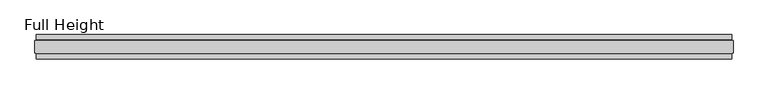
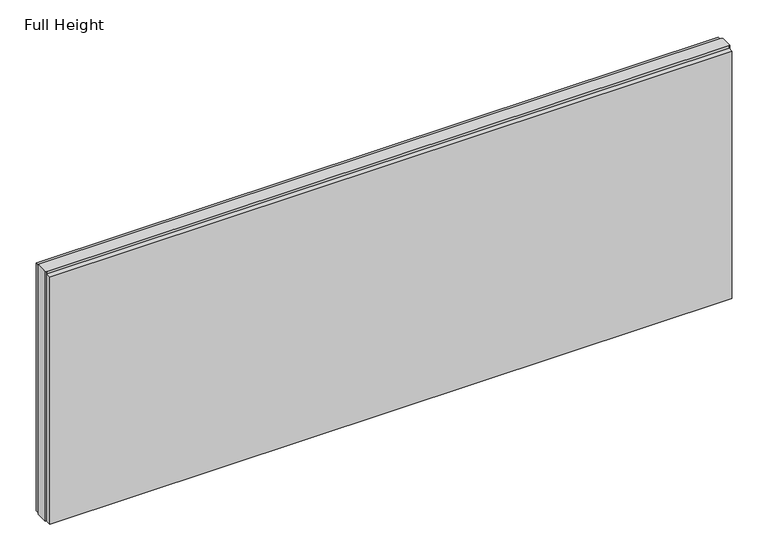
"""IFC4 building model written with IfcOpenShell, lengths in millimetres: plate geometry, Full Height."""

from ifc_helpers import new_model, si_unit, origin, origin_with_axes, place, context, project, spatial, polyline, outline, extrude, source, transform, mapped, element, save


def full_height_f6e70728(model_context):
    return source(origin(), model_context, "Body", "SweptSolid", [
        extrude(outline(polyline([(1409.8875405, 28.956), (-1409.8875405, 28.956), (-1409.8875405, 49.53), (1409.8875405, 49.53), (1409.8875405, 28.956)])), origin_with_axes(), (0.0, 0.0, 1.0), 1083.056),
        extrude(outline(polyline([(1409.8875405, -28.956), (1409.8875405, -49.53), (-1409.8875405, -49.53), (-1409.8875405, -28.956), (1409.8875405, -28.956)])), origin_with_axes(), (0.0, 0.0, 1.0), 1083.056),
        extrude(outline(polyline([(1409.8875405, -25.146), (1409.8875405, -26.67), (-1409.8875405, -26.67), (-1409.8875405, -25.146), (-1414.4595405, -25.146), (-1414.4595405, 25.146), (-1409.8875405, 25.146), (-1409.8875405, 26.67), (1409.8875405, 26.67), (1409.8875405, 25.146), (1414.4595405, 25.146), (1414.4595405, -25.146), (1409.8875405, -25.146)])), origin_with_axes(), (0.0, 0.0, 1.0), 1092.2),
    ])


if __name__ == "__main__":
    model = new_model("IFC4")
    model_context = context("Model", 3, world=origin())
    ifc_project = project(units=[si_unit("LENGTHUNIT", "METRE", prefix="MILLI")], contexts=[model_context])
    site = spatial("IfcSite", under=ifc_project)
    building = spatial("IfcBuilding", under=site)
    placement = place(None, origin())
    full_height_shape = full_height_f6e70728(model_context)
    element("IfcPlate", 1, ObjectType="Full Height", at=placement, inside=building, context=model_context, shape_type="MappedRepresentation", body=[
        mapped(full_height_shape, transform((0.0, 0.0, 0.0), x_axis=(1.0, 0.0, 0.0), y_axis=(0.0, 1.0, 0.0), z_axis=(0.0, 0.0, 1.0))),
    ])
    save(model, "model.ifc")
